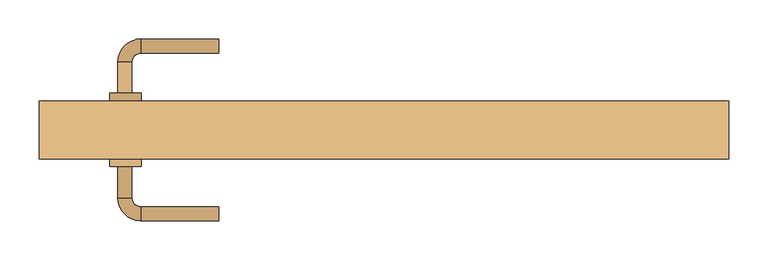
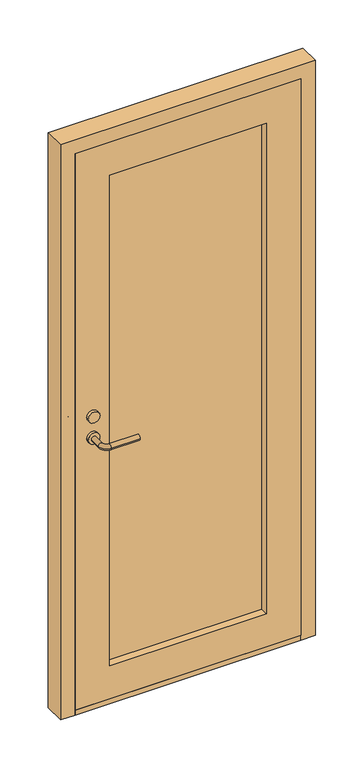
"""IFC4 building model written with IfcOpenShell, lengths in millimetres: door geometry."""

from ifc_helpers import new_model, si_unit, point, frame, frame_2d, origin, origin_with_axes, place, context, project, spatial, polyline, circle_curve, ellipse_curve, trimmed, segment, composite_curve, outline, extrude, source, transform, mapped, element, save
from ifc_brep_helpers import plane_surface, cylinder_surface, revolved_surface, advanced_brep


def door_91014e87(model_context):
    return source(origin(), model_context, "Body", "SolidModel", [
        extrude(outline(composite_curve([segment(trimmed(circle_curve(frame_2d((1069.9136899, -329.67685)), 20.0), [point((1069.9136899, -349.67685))], [point((1069.9136899, -309.67685))], False, "CARTESIAN"), True, "CONTINUOUS"), segment(trimmed(circle_curve(frame_2d((1069.9136899, -329.67685)), 20.0), [point((1069.9136899, -309.67685))], [point((1069.9136899, -349.67685))], False, "CARTESIAN"), True, "CONTINUOUS")], self_intersect=False)), frame((0.0, -38.4, 0.0), z_axis=(0.0, 1.0, 0.0), x_axis=(0.0, 0.0, 1.0)), (0.0, 0.0, 1.0), 9.8708889),
        extrude(outline(composite_curve([segment(trimmed(circle_curve(frame_2d((992.4136899, -329.67685)), 20.0), [point((992.4136899, -349.67685))], [point((992.4136899, -309.67685))], False, "CARTESIAN"), True, "CONTINUOUS"), segment(trimmed(circle_curve(frame_2d((992.4136899, -329.67685)), 20.0), [point((992.4136899, -309.67685))], [point((992.4136899, -349.67685))], False, "CARTESIAN"), True, "CONTINUOUS")], self_intersect=False)), frame((0.0, -38.4, 0.0), z_axis=(0.0, 1.0, 0.0), x_axis=(0.0, 0.0, 1.0)), (0.0, 0.0, 1.0), 9.8708889),
        advanced_brep(
        [(-339.625, -38.4, 992.5), (-321.625, -38.4, 992.5), (-321.625, 11.6, 992.5), (-339.625, 11.6, 992.5), (-310.625, 22.6, 992.5), (-310.625, 40.6, 992.5), (-210.625, 40.6, 992.5), (-210.625, 22.6, 992.5)],
        [
            (0, 1, circle_curve(frame((-330.625, -38.4, 992.5), z_axis=(0.0, -1.0, 0.0), x_axis=(1.0, 0.0, 0.0)), 9.0)),
            (1, 0, circle_curve(frame((-330.625, -38.4, 992.5), z_axis=(0.0, -1.0, 0.0), x_axis=(1.0, 0.0, 0.0)), 9.0)),
            (1, 2),
            (2, 3, circle_curve(frame((-330.625, 11.6, 992.5), z_axis=(0.0, -1.0, 0.0), x_axis=(1.0, 0.0, 0.0)), 9.0)),
            (3, 0),
            (3, 2, circle_curve(frame((-330.625, 11.6, 992.5), z_axis=(0.0, -1.0, 0.0), x_axis=(1.0, 0.0, 0.0)), 9.0)),
            (4, 5, circle_curve(frame((-310.625, 31.6, 992.5), z_axis=(-1.0, 0.0, 0.0), x_axis=(0.0, -1.0, 0.0)), 9.0)),
            (5, 3, circle_curve(frame((-310.625, 11.6, 992.5), z_axis=(0.0, 0.0, 1.0), x_axis=(-1.0, 0.0, 0.0)), 29.0)),
            (2, 4, circle_curve(frame((-310.625, 11.6, 992.5), z_axis=(0.0, 0.0, -1.0), x_axis=(-1.0, 0.0, 0.0)), 11.0)),
            (5, 4, circle_curve(frame((-310.625, 31.6, 992.5), z_axis=(-1.0, 0.0, 0.0), x_axis=(0.0, -1.0, 0.0)), 9.0)),
            (6, 7, circle_curve(frame((-210.625, 31.6, 992.5), z_axis=(1.0, 0.0, 0.0), x_axis=(0.0, -1.0, 0.0)), 9.0)),
            (7, 6, circle_curve(frame((-210.625, 31.6, 992.5), z_axis=(1.0, 0.0, 0.0), x_axis=(0.0, -1.0, 0.0)), 9.0)),
            (4, 7),
            (6, 5),
        ],
        [
            plane_surface(frame((-330.625, -38.4, 857.5), z_axis=(0.0, -1.0, 0.0), x_axis=(0.0, 0.0, -1.0))),
            cylinder_surface(frame((-330.625, -38.4, 992.5), z_axis=(0.0, -1.0, 0.0), x_axis=(1.0, 0.0, 0.0)), 9.0),
            revolved_surface(trimmed(ellipse_curve(frame((-330.625, 11.6, 992.5), z_axis=(0.0, 1.0, 0.0), x_axis=(1.0, 0.0, 0.0)), 9.0, 9.0), [point((-339.625, 11.6, 992.5))], [point((-321.625, 11.6, 992.5))], True, "CARTESIAN"), (-310.625, 11.6, 857.5), (0.0, 0.0, 1.0)),
            revolved_surface(trimmed(ellipse_curve(frame((-330.625, 11.6, 992.5), z_axis=(0.0, 1.0, 0.0), x_axis=(1.0, 0.0, 0.0)), 9.0, 9.0), [point((-321.625, 11.6, 992.5))], [point((-339.625, 11.6, 992.5))], True, "CARTESIAN"), (-310.625, 11.6, 857.5), (0.0, 0.0, 1.0)),
            plane_surface(frame((-210.625, 31.6, 857.5), z_axis=(1.0, 0.0, 0.0), x_axis=(0.0, 0.0, -1.0))),
            cylinder_surface(frame((-310.625, 31.6, 992.5), z_axis=(-1.0, 0.0, 0.0), x_axis=(0.0, -1.0, 0.0)), 9.0),
        ],
        [
            (0, [[1, 2]]),
            (1, [[3, 4, 5, -2]]),
            (1, [[-5, 6, -3, -1]]),
            (2, [[7, 8, -4, 9]]),
            (3, [[10, -9, -6, -8]]),
            (4, [[11, 12]]),
            (5, [[13, -11, 14, -7]]),
            (5, [[-14, -12, -13, -10]]),
        ],
    ),
        extrude(outline(composite_curve([segment(trimmed(circle_curve(frame_2d((1069.9136899, -329.67685)), 20.0), [point((1069.9136899, -349.67685))], [point((1069.9136899, -309.67685))], False, "CARTESIAN"), True, "CONTINUOUS"), segment(trimmed(circle_curve(frame_2d((1069.9136899, -329.67685)), 20.0), [point((1069.9136899, -309.67685))], [point((1069.9136899, -349.67685))], False, "CARTESIAN"), True, "CONTINUOUS")], self_intersect=False)), frame((0.0, -122.2708889, 0.0), z_axis=(0.0, 1.0, 0.0), x_axis=(0.0, 0.0, 1.0)), (0.0, 0.0, 1.0), 9.8708889),
        extrude(outline(composite_curve([segment(trimmed(circle_curve(frame_2d((992.4136899, -329.67685)), 20.0), [point((992.4136899, -349.67685))], [point((992.4136899, -309.67685))], False, "CARTESIAN"), True, "CONTINUOUS"), segment(trimmed(circle_curve(frame_2d((992.4136899, -329.67685)), 20.0), [point((992.4136899, -309.67685))], [point((992.4136899, -349.67685))], False, "CARTESIAN"), True, "CONTINUOUS")], self_intersect=False)), frame((0.0, -122.2708889, 0.0), z_axis=(0.0, 1.0, 0.0), x_axis=(0.0, 0.0, 1.0)), (0.0, 0.0, 1.0), 9.8708889),
        advanced_brep(
        [(-339.625, -112.4, 992.5), (-321.625, -112.4, 992.5), (-339.625, -162.4, 992.5), (-321.625, -162.4, 992.5), (-310.625, -173.4, 992.5), (-310.625, -191.4, 992.5), (-210.625, -191.4, 992.5), (-210.625, -173.4, 992.5)],
        [
            (0, 1, circle_curve(frame((-330.625, -112.4, 992.5), z_axis=(0.0, 1.0, 0.0), x_axis=(1.0, 0.0, 0.0)), 9.0)),
            (1, 0, circle_curve(frame((-330.625, -112.4, 992.5), z_axis=(0.0, 1.0, 0.0), x_axis=(1.0, 0.0, 0.0)), 9.0)),
            (0, 2),
            (2, 3, circle_curve(frame((-330.625, -162.4, 992.5), z_axis=(0.0, 1.0, 0.0), x_axis=(1.0, 0.0, 0.0)), 9.0)),
            (3, 1),
            (3, 2, circle_curve(frame((-330.625, -162.4, 992.5), z_axis=(0.0, 1.0, 0.0), x_axis=(1.0, 0.0, 0.0)), 9.0)),
            (4, 3, circle_curve(frame((-310.625, -162.4, 992.5), z_axis=(0.0, 0.0, -1.0), x_axis=(-1.0, 0.0, 0.0)), 11.0)),
            (2, 5, circle_curve(frame((-310.625, -162.4, 992.5), z_axis=(0.0, 0.0, 1.0), x_axis=(-1.0, 0.0, 0.0)), 29.0)),
            (5, 4, circle_curve(frame((-310.625, -182.4, 992.5), z_axis=(-1.0, 0.0, 0.0), x_axis=(0.0, 1.0, 0.0)), 9.0)),
            (4, 5, circle_curve(frame((-310.625, -182.4, 992.5), z_axis=(-1.0, 0.0, 0.0), x_axis=(0.0, 1.0, 0.0)), 9.0)),
            (6, 7, circle_curve(frame((-210.625, -182.4, 992.5), z_axis=(1.0, 0.0, 0.0), x_axis=(0.0, 1.0, 0.0)), 9.0)),
            (7, 6, circle_curve(frame((-210.625, -182.4, 992.5), z_axis=(1.0, 0.0, 0.0), x_axis=(0.0, 1.0, 0.0)), 9.0)),
            (5, 6),
            (7, 4),
        ],
        [
            plane_surface(frame((-330.625, -112.4, 857.5), z_axis=(0.0, 1.0, 0.0), x_axis=(0.0, 0.0, -1.0))),
            cylinder_surface(frame((-330.625, -112.4, 992.5), z_axis=(0.0, 1.0, 0.0), x_axis=(1.0, 0.0, 0.0)), 9.0),
            revolved_surface(trimmed(ellipse_curve(frame((-330.625, -162.4, 992.5), z_axis=(0.0, 1.0, 0.0), x_axis=(1.0, 0.0, 0.0)), 9.0, 9.0), [point((-339.625, -162.4, 992.5))], [point((-321.625, -162.4, 992.5))], True, "CARTESIAN"), (-310.625, -162.4, 857.5), (0.0, 0.0, 1.0)),
            revolved_surface(trimmed(ellipse_curve(frame((-330.625, -162.4, 992.5), z_axis=(0.0, 1.0, 0.0), x_axis=(1.0, 0.0, 0.0)), 9.0, 9.0), [point((-321.625, -162.4, 992.5))], [point((-339.625, -162.4, 992.5))], True, "CARTESIAN"), (-310.625, -162.4, 857.5), (0.0, 0.0, 1.0)),
            plane_surface(frame((-210.625, -182.4, 857.5), z_axis=(1.0, 0.0, 0.0), x_axis=(0.0, 0.0, -1.0))),
            cylinder_surface(frame((-310.625, -182.4, 992.5), z_axis=(-1.0, 0.0, 0.0), x_axis=(0.0, 1.0, 0.0)), 9.0),
        ],
        [
            (0, [[1, 2]]),
            (1, [[-1, 3, 4, 5]]),
            (1, [[-2, -5, 6, -3]]),
            (2, [[7, -4, 8, 9]]),
            (3, [[-8, -6, -7, 10]]),
            (4, [[11, 12]]),
            (5, [[-9, 13, -12, 14]]),
            (5, [[-10, -14, -11, -13]]),
        ],
    ),
        extrude(outline(polyline([(2045.0, -390.0), (18.0, -390.0), (18.0, 390.0), (2045.0, 390.0), (2045.0, -390.0)]), holes=[polyline([(1925.0, 270.0), (138.0, 270.0), (138.0, -270.0), (1925.0, -270.0), (1925.0, 270.0)])]), frame((0.0, -112.4, 0.0), z_axis=(0.0, 1.0, 0.0), x_axis=(0.0, 0.0, 1.0)), (0.0, 0.0, 1.0), 74.0),
        extrude(outline(polyline([(270.0, -85.4), (-270.0, -85.4), (-270.0, -65.4), (270.0, -65.4), (270.0, -85.4)])), frame((0.0, 0.0, 138.0), z_axis=(0.0, 0.0, 1.0), x_axis=(1.0, 0.0, 0.0)), (0.0, 0.0, 1.0), 1787.0),
        extrude(outline(polyline([(2095.0, 440.0), (2095.0, -440.0), (0.0, -440.0), (0.0, -390.0), (2045.0, -390.0), (2045.0, 390.0), (0.0, 390.0), (0.0, 440.0), (2095.0, 440.0)])), frame((0.0, -112.4, 0.0), z_axis=(0.0, 1.0, 0.0), x_axis=(0.0, 0.0, 1.0)), (0.0, 0.0, 1.0), 74.0),
        extrude(outline(polyline([(-390.0, -112.4), (-390.0, -38.4), (390.0, -38.4), (390.0, -112.4), (-390.0, -112.4)])), origin_with_axes(), (0.0, 0.0, 1.0), 18.0),
    ])


if __name__ == "__main__":
    model = new_model("IFC4")
    model_context = context("Model", 3, world=origin())
    ifc_project = project(units=[si_unit("LENGTHUNIT", "METRE", prefix="MILLI")], contexts=[model_context])
    site = spatial("IfcSite", under=ifc_project)
    building = spatial("IfcBuilding", under=site)
    placement = place(None, origin())
    door_shape = door_91014e87(model_context)
    element("IfcDoor", 1, at=placement, inside=building, context=model_context, shape_type="MappedRepresentation", body=[
        mapped(door_shape, transform((0.0, 0.0, 0.0), x_axis=(1.0, 0.0, 0.0), y_axis=(0.0, 1.0, 0.0), z_axis=(0.0, 0.0, 1.0))),
    ])
    save(model, "model.ifc")
